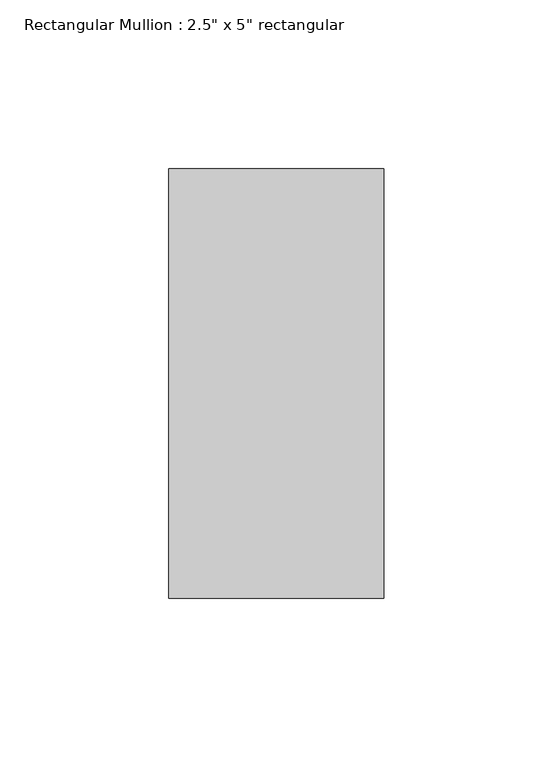
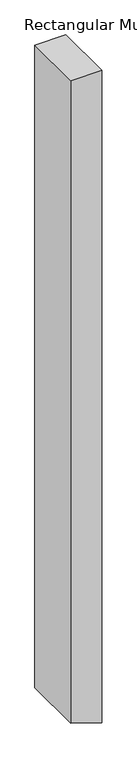
"""IFC4 building model written with IfcOpenShell, lengths in millimetres: member geometry."""

from ifc_helpers import new_model, si_unit, frame, origin, place, context, project, spatial, polyline, outline, extrude, source, transform, mapped, element, save


def member_a239cb7d(model_context):
    return source(origin(), model_context, "Body", "SweptSolid", [
        extrude(outline(polyline([(0.0, 31.75), (0.0, -31.75), (-1394.1999408, -31.75), (-1411.0953097, 19.7828002), (-1415.0188352, 31.75), (0.0, 31.75)])), frame((0.0, -63.5, 0.0), z_axis=(0.0, 1.0, 0.0), x_axis=(0.0, 0.0, 1.0)), (0.0, 0.0, 1.0), 127.0),
    ])


if __name__ == "__main__":
    model = new_model("IFC4")
    model_context = context("Model", 3, world=origin())
    ifc_project = project(units=[si_unit("LENGTHUNIT", "METRE", prefix="MILLI")], contexts=[model_context])
    site = spatial("IfcSite", under=ifc_project)
    building = spatial("IfcBuilding", under=site)
    placement = place(None, origin())
    member_shape = member_a239cb7d(model_context)
    element("IfcMember", 1, ObjectType="Rectangular Mullion : 2.5\" x 5\" rectangular", at=placement, inside=building, context=model_context, shape_type="MappedRepresentation", body=[
        mapped(member_shape, transform((0.0, 0.0, 0.0), x_axis=(1.0, 0.0, 0.0), y_axis=(0.0, 1.0, 0.0), z_axis=(0.0, 0.0, 1.0))),
    ])
    save(model, "model.ifc")
